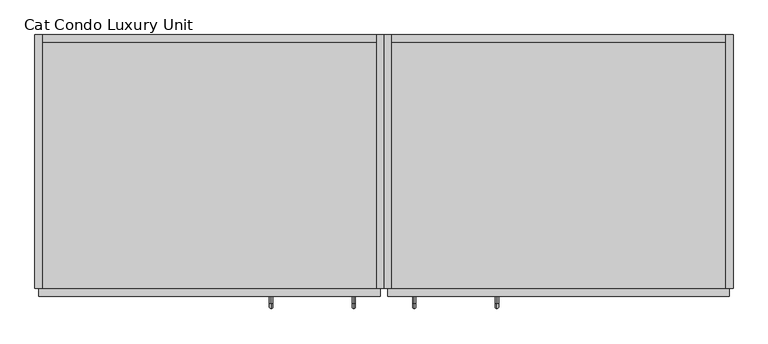
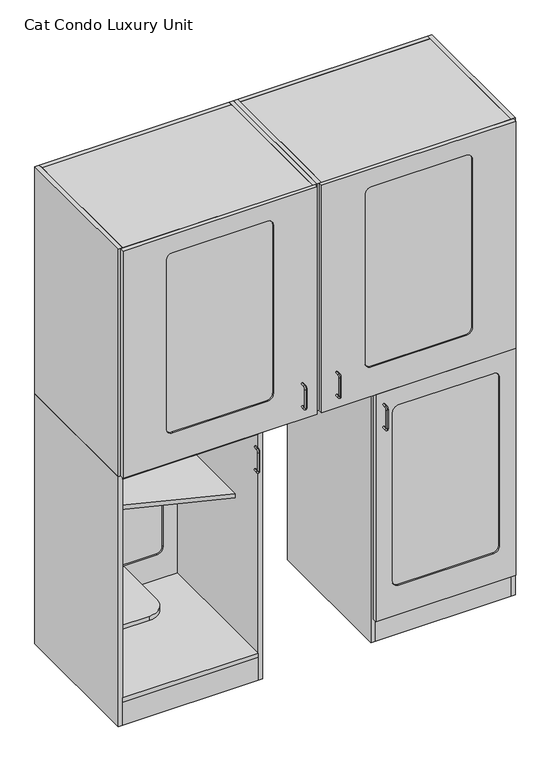
"""IFC4 building model written with IfcOpenShell, lengths in millimetres: proxy geometry, Cat Condo Luxury Unit."""

from ifc_helpers import new_model, si_unit, point, frame, frame_2d, origin, origin_with_axes, place, context, project, spatial, polyline, circle_curve, ellipse_curve, trimmed, segment, composite_curve, outline, extrude, source, transform, mapped, element, save
from ifc_brep_helpers import plane_surface, cylinder_surface, revolved_surface, advanced_brep


def cat_condo_luxury_unit_a41a8ca4(model_context):
    return source(origin(), model_context, "Body", "SolidModel", [
        advanced_brep(
        [(910.8180916, -19.05, 1269.2493154), (910.8180916, -19.05, 1277.1006846), (910.8180916, -35.2117768, 1277.1006846), (910.8180916, -35.2117768, 1269.2493154), (910.8180916, -48.3756846, 1263.9367768), (910.8180916, -40.5243154, 1263.9367768), (910.8180916, -48.3756846, 1180.8132232), (910.8180916, -40.5243154, 1180.8132232), (910.8180916, -35.2117768, 1167.6493154), (910.8180916, -35.2117768, 1175.5006846), (910.8180916, -19.05, 1175.5006846), (910.8180916, -19.05, 1167.6493154)],
        [
            (0, 1, circle_curve(frame((910.8180916, -19.05, 1273.175), z_axis=(0.0, 1.0, 0.0), x_axis=(0.0, 0.0, 1.0)), 3.9256846)),
            (1, 0, circle_curve(frame((910.8180916, -19.05, 1273.175), z_axis=(0.0, 1.0, 0.0), x_axis=(0.0, 0.0, 1.0)), 3.9256846)),
            (1, 2),
            (2, 3, circle_curve(frame((910.8180916, -35.2117768, 1273.175), z_axis=(0.0, 1.0, 0.0), x_axis=(0.0, 0.0, 1.0)), 3.9256846)),
            (3, 0),
            (3, 2, circle_curve(frame((910.8180916, -35.2117768, 1273.175), z_axis=(0.0, 1.0, 0.0), x_axis=(0.0, 0.0, 1.0)), 3.9256846)),
            (4, 5, circle_curve(frame((910.8180916, -44.45, 1263.9367768), z_axis=(0.0, 0.0, 1.0), x_axis=(0.0, -1.0000000000000002, 0.0)), 3.9256846)),
            (5, 3, circle_curve(frame((910.8180916, -35.2117768, 1263.9367768), z_axis=(-1.0, 0.0, 0.0), x_axis=(0.0, 0.0, 1.0)), 5.3125387)),
            (2, 4, circle_curve(frame((910.8180916, -35.2117768, 1263.9367768), z_axis=(1.0, 0.0, 0.0), x_axis=(0.0, 0.0, 1.0)), 13.1639078)),
            (5, 4, circle_curve(frame((910.8180916, -44.45, 1263.9367768), z_axis=(0.0, 0.0, 1.0), x_axis=(0.0, -1.0000000000000002, 0.0)), 3.9256846)),
            (4, 6),
            (6, 7, circle_curve(frame((910.8180916, -44.45, 1180.8132232), z_axis=(0.0, 0.0, 1.0), x_axis=(0.0, -1.0000000000000002, 0.0)), 3.9256846)),
            (7, 5),
            (7, 6, circle_curve(frame((910.8180916, -44.45, 1180.8132232), z_axis=(0.0, 0.0, 1.0), x_axis=(0.0, -1.0000000000000002, 0.0)), 3.9256846)),
            (8, 9, circle_curve(frame((910.8180916, -35.2117768, 1171.575), z_axis=(0.0, -1.0000000000000002, 0.0), x_axis=(0.0, 0.0, -1.0)), 3.9256846)),
            (9, 7, circle_curve(frame((910.8180916, -35.2117768, 1180.8132232), z_axis=(-1.0, 0.0, 0.0), x_axis=(0.0, -1.0000000000000002, 0.0)), 5.3125387)),
            (6, 8, circle_curve(frame((910.8180916, -35.2117768, 1180.8132232), z_axis=(1.0, 0.0, 0.0), x_axis=(0.0, -1.0000000000000002, 0.0)), 13.1639078)),
            (9, 8, circle_curve(frame((910.8180916, -35.2117768, 1171.575), z_axis=(0.0, -1.0000000000000002, 0.0), x_axis=(0.0, 0.0, -1.0)), 3.9256846)),
            (10, 11, circle_curve(frame((910.8180916, -19.05, 1171.575), z_axis=(0.0, 1.0, 0.0), x_axis=(0.0, 0.0, -1.0)), 3.9256846)),
            (11, 10, circle_curve(frame((910.8180916, -19.05, 1171.575), z_axis=(0.0, 1.0, 0.0), x_axis=(0.0, 0.0, -1.0)), 3.9256846)),
            (8, 11),
            (10, 9),
        ],
        [
            plane_surface(frame((910.8180916, -19.05, 1273.175), z_axis=(0.0, 1.0, 0.0), x_axis=(-1.0, 0.0, 0.0))),
            cylinder_surface(frame((910.8180916, -19.05, 1273.175), z_axis=(0.0, 1.0000000000000002, 0.0), x_axis=(0.0, 0.0, 1.0)), 3.9256846),
            revolved_surface(trimmed(ellipse_curve(frame((910.8180916, -35.2117768, 1273.175), z_axis=(0.0, -1.0000000000000002, 0.0), x_axis=(0.0, 0.0, 1.0)), 3.9256846, 3.9256846), [point((910.8180916, -35.2117768, 1269.2493154))], [point((910.8180916, -35.2117768, 1277.1006846))], True, "CARTESIAN"), (910.8180916, -35.2117768, 1263.9367768), (-1.0000000000000002, 0.0, 0.0)),
            revolved_surface(trimmed(ellipse_curve(frame((910.8180916, -35.2117768, 1273.175), z_axis=(0.0, -1.0000000000000002, 0.0), x_axis=(0.0, 0.0, 1.0)), 3.9256846, 3.9256846), [point((910.8180916, -35.2117768, 1277.1006846))], [point((910.8180916, -35.2117768, 1269.2493154))], True, "CARTESIAN"), (910.8180916, -35.2117768, 1263.9367768), (-1.0000000000000002, 0.0, 0.0)),
            cylinder_surface(frame((910.8180916, -44.45, 1263.9367768), z_axis=(0.0, 0.0, 1.0), x_axis=(0.0, -1.0000000000000002, 0.0)), 3.9256846),
            revolved_surface(trimmed(ellipse_curve(frame((910.8180916, -44.45, 1180.8132232), z_axis=(0.0, 0.0, -1.0), x_axis=(0.0, -1.0000000000000002, 0.0)), 3.9256846, 3.9256846), [point((910.8180916, -40.5243154, 1180.8132232))], [point((910.8180916, -48.3756846, 1180.8132232))], True, "CARTESIAN"), (910.8180916, -35.2117768, 1180.8132232), (-1.0000000000000002, 0.0, 0.0)),
            revolved_surface(trimmed(ellipse_curve(frame((910.8180916, -44.45, 1180.8132232), z_axis=(0.0, 0.0, -1.0), x_axis=(0.0, -1.0000000000000002, 0.0)), 3.9256846, 3.9256846), [point((910.8180916, -48.3756846, 1180.8132232))], [point((910.8180916, -40.5243154, 1180.8132232))], True, "CARTESIAN"), (910.8180916, -35.2117768, 1180.8132232), (-1.0000000000000002, 0.0, 0.0)),
            plane_surface(frame((910.8180916, -19.05, 1171.575), z_axis=(0.0, 1.0, 0.0), x_axis=(-1.0, 0.0, 0.0))),
            cylinder_surface(frame((910.8180916, -35.2117768, 1171.575), z_axis=(0.0, -1.0000000000000002, 0.0), x_axis=(0.0, 0.0, -1.0)), 3.9256846),
        ],
        [
            (0, [[1, 2]]),
            (1, [[3, 4, 5, -2]]),
            (1, [[-5, 6, -3, -1]]),
            (2, [[7, 8, -4, 9]]),
            (3, [[10, -9, -6, -8]]),
            (4, [[11, 12, 13, -7]]),
            (4, [[-13, 14, -11, -10]]),
            (5, [[15, 16, -12, 17]]),
            (6, [[18, -17, -14, -16]]),
            (7, [[19, 20]]),
            (8, [[21, -19, 22, -15]]),
            (8, [[-22, -20, -21, -18]]),
        ],
    ),
        extrude(outline(polyline([(857.25, 590.55), (1657.35, 590.55), (1657.35, 0.0), (857.25, 0.0), (857.25, 590.55)])), frame((0.0, 0.0, 2108.2), z_axis=(0.0, 0.0, 1.0), x_axis=(1.0, 0.0, 0.0)), (0.0, 0.0, 1.0), 19.05),
        extrude(outline(composite_curve([segment(trimmed(circle_curve(frame_2d((2022.475, 1058.06875)), 25.4), [point((2047.875, 1058.06875))], [point((2022.475, 1032.66875))], False, "CARTESIAN"), True, "CONTINUOUS"), segment(polyline([(2022.475, 1032.66875), (1270.0, 1032.66875)]), True, "CONTINUOUS"), segment(trimmed(circle_curve(frame_2d((1270.0, 1058.06875)), 25.4), [point((1270.0, 1032.66875))], [point((1244.6, 1058.06875))], False, "CARTESIAN"), True, "CONTINUOUS"), segment(polyline([(1244.6, 1058.06875), (1244.6, 1458.11875)]), True, "CONTINUOUS"), segment(trimmed(circle_curve(frame_2d((1270.0, 1458.11875)), 25.4), [point((1244.6, 1458.11875))], [point((1270.0, 1483.51875))], False, "CARTESIAN"), True, "CONTINUOUS"), segment(polyline([(1270.0, 1483.51875), (2022.475, 1483.51875)]), True, "CONTINUOUS"), segment(trimmed(circle_curve(frame_2d((2022.475, 1458.11875)), 25.4), [point((2022.475, 1483.51875))], [point((2047.875, 1458.11875))], False, "CARTESIAN"), True, "CONTINUOUS"), segment(polyline([(2047.875, 1458.11875), (2047.875, 1058.06875)]), True, "CONTINUOUS")], self_intersect=False)), frame((0.0, 596.9, 0.0), z_axis=(0.0, 1.0, 0.0), x_axis=(0.0, 0.0, 1.0)), (0.0, 0.0, 1.0), 6.35),
        extrude(outline(polyline([(2127.25, 857.25), (1114.425, 857.25), (1114.425, 1657.35), (2127.25, 1657.35), (2127.25, 857.25)]), holes=[composite_curve([segment(trimmed(circle_curve(frame_2d((2022.475, 1058.06875)), 25.4), [point((2022.475, 1032.66875))], [point((2047.875, 1058.06875))], True, "CARTESIAN"), True, "CONTINUOUS"), segment(polyline([(2047.875, 1058.06875), (2047.875, 1458.11875)]), True, "CONTINUOUS"), segment(trimmed(circle_curve(frame_2d((2022.475, 1458.11875)), 25.4), [point((2047.875, 1458.11875))], [point((2022.475, 1483.51875))], True, "CARTESIAN"), True, "CONTINUOUS"), segment(polyline([(2022.475, 1483.51875), (1371.6, 1483.51875)]), True, "CONTINUOUS"), segment(trimmed(circle_curve(frame_2d((1371.6, 1458.11875)), 25.4), [point((1371.6, 1483.51875))], [point((1346.2, 1458.11875))], True, "CARTESIAN"), True, "CONTINUOUS"), segment(polyline([(1346.2, 1458.11875), (1346.2, 1058.06875)]), True, "CONTINUOUS"), segment(trimmed(circle_curve(frame_2d((1371.6, 1058.06875)), 25.4), [point((1346.2, 1058.06875))], [point((1371.6, 1032.66875))], True, "CARTESIAN"), True, "CONTINUOUS"), segment(polyline([(1371.6, 1032.66875), (2022.475, 1032.66875)]), True, "CONTINUOUS")], self_intersect=False)]), frame((0.0, 590.55, 0.0), z_axis=(0.0, 1.0, 0.0), x_axis=(0.0, 0.0, 1.0)), (0.0, 0.0, 1.0), 19.05),
        extrude(outline(polyline([(857.25, 590.55), (1657.35, 590.55), (1657.35, 374.65), (857.25, 166.6410111), (857.25, 590.55)])), frame((0.0, 0.0, 1724.025), z_axis=(0.0, 0.0, 1.0), x_axis=(1.0, 0.0, 0.0)), (0.0, 0.0, 1.0), 19.05),
        extrude(outline(composite_curve([segment(polyline([(1454.15, 590.55), (1657.35, 590.55), (1657.35, 25.4), (1530.35, 25.4)]), True, "CONTINUOUS"), segment(trimmed(circle_curve(frame_2d((1530.35, 101.6)), 76.2), [point((1530.35, 25.4))], [point((1454.15, 101.6))], False, "CARTESIAN"), True, "CONTINUOUS"), segment(polyline([(1454.15, 101.6), (1454.15, 590.55)]), True, "CONTINUOUS")], self_intersect=False)), frame((0.0, 0.0, 1419.225), z_axis=(0.0, 0.0, 1.0), x_axis=(1.0, 0.0, 0.0)), (0.0, 0.0, 1.0), 19.05),
        extrude(outline(polyline([(857.25, 0.0), (857.25, 590.55), (1657.35, 590.55), (1657.35, 0.0), (857.25, 0.0)])), frame((0.0, 0.0, 1114.425), z_axis=(0.0, 0.0, 1.0), x_axis=(1.0, 0.0, 0.0)), (0.0, 0.0, 1.0), 19.05),
        extrude(outline(polyline([(857.25, 609.6), (857.25, 0.0), (838.2, 0.0), (838.2, 609.6), (857.25, 609.6)])), frame((0.0, 0.0, 1114.425), z_axis=(0.0, 0.0, 1.0), x_axis=(1.0, 0.0, 0.0)), (0.0, 0.0, 1.0), 1012.825),
        extrude(outline(polyline([(1657.35, 609.6), (1676.4, 609.6), (1676.4, 0.0), (1657.35, 0.0), (1657.35, 609.6)])), frame((0.0, 0.0, 1114.425), z_axis=(0.0, 0.0, 1.0), x_axis=(1.0, 0.0, 0.0)), (0.0, 0.0, 1.0), 1012.825),
        extrude(outline(composite_curve([segment(trimmed(circle_curve(frame_2d((2022.475, 1058.06875)), 25.4), [point((2047.875, 1058.06875))], [point((2022.475, 1032.66875))], False, "CARTESIAN"), True, "CONTINUOUS"), segment(polyline([(2022.475, 1032.66875), (1270.0, 1032.66875)]), True, "CONTINUOUS"), segment(trimmed(circle_curve(frame_2d((1270.0, 1058.06875)), 25.4), [point((1270.0, 1032.66875))], [point((1244.6, 1058.06875))], False, "CARTESIAN"), True, "CONTINUOUS"), segment(polyline([(1244.6, 1058.06875), (1244.6, 1458.11875)]), True, "CONTINUOUS"), segment(trimmed(circle_curve(frame_2d((1270.0, 1458.11875)), 25.4), [point((1244.6, 1458.11875))], [point((1270.0, 1483.51875))], False, "CARTESIAN"), True, "CONTINUOUS"), segment(polyline([(1270.0, 1483.51875), (2022.475, 1483.51875)]), True, "CONTINUOUS"), segment(trimmed(circle_curve(frame_2d((2022.475, 1458.11875)), 25.4), [point((2022.475, 1483.51875))], [point((2047.875, 1458.11875))], False, "CARTESIAN"), True, "CONTINUOUS"), segment(polyline([(2047.875, 1458.11875), (2047.875, 1058.06875)]), True, "CONTINUOUS")], self_intersect=False)), frame((0.0, -12.7, 0.0), z_axis=(0.0, 1.0, 0.0), x_axis=(0.0, 0.0, 1.0)), (0.0, 0.0, 1.0), 6.35),
        extrude(outline(polyline([(2127.25, 847.725), (1114.425, 847.725), (1114.425, 1666.875), (2127.25, 1666.875), (2127.25, 847.725)]), holes=[composite_curve([segment(trimmed(circle_curve(frame_2d((2022.475, 1458.11875)), 25.4), [point((2047.875, 1458.11875))], [point((2022.475, 1483.51875))], True, "CARTESIAN"), True, "CONTINUOUS"), segment(polyline([(2022.475, 1483.51875), (1270.0, 1483.51875)]), True, "CONTINUOUS"), segment(trimmed(circle_curve(frame_2d((1270.0, 1458.11875)), 25.4), [point((1270.0, 1483.51875))], [point((1244.6, 1458.11875))], True, "CARTESIAN"), True, "CONTINUOUS"), segment(polyline([(1244.6, 1458.11875), (1244.6, 1058.06875)]), True, "CONTINUOUS"), segment(trimmed(circle_curve(frame_2d((1270.0, 1058.06875)), 25.4), [point((1244.6, 1058.06875))], [point((1270.0, 1032.66875))], True, "CARTESIAN"), True, "CONTINUOUS"), segment(polyline([(1270.0, 1032.66875), (2022.475, 1032.66875)]), True, "CONTINUOUS"), segment(trimmed(circle_curve(frame_2d((2022.475, 1058.06875)), 25.4), [point((2022.475, 1032.66875))], [point((2047.875, 1058.06875))], True, "CARTESIAN"), True, "CONTINUOUS"), segment(polyline([(2047.875, 1058.06875), (2047.875, 1458.11875)]), True, "CONTINUOUS")], self_intersect=False)]), frame((0.0, -19.05, 0.0), z_axis=(0.0, 1.0, 0.0), x_axis=(0.0, 0.0, 1.0)), (0.0, 0.0, 1.0), 19.05),
        advanced_brep(
        [(765.5819084, -19.05, 1269.2493154), (765.5819084, -19.05, 1277.1006846), (765.5819084, -35.2117768, 1269.2493154), (765.5819084, -35.2117768, 1277.1006846), (765.5819084, -48.3756846, 1263.9367768), (765.5819084, -40.5243154, 1263.9367768), (765.5819084, -40.5243154, 1180.8132232), (765.5819084, -48.3756846, 1180.8132232), (765.5819084, -35.2117768, 1167.6493154), (765.5819084, -35.2117768, 1175.5006846), (765.5819084, -19.05, 1175.5006846), (765.5819084, -19.05, 1167.6493154)],
        [
            (0, 1, circle_curve(frame((765.5819084, -19.05, 1273.175), z_axis=(0.0, 1.0, 0.0), x_axis=(0.0, 0.0, 1.0)), 3.9256846)),
            (1, 0, circle_curve(frame((765.5819084, -19.05, 1273.175), z_axis=(0.0, 1.0, 0.0), x_axis=(0.0, 0.0, 1.0)), 3.9256846)),
            (0, 2),
            (2, 3, circle_curve(frame((765.5819084, -35.2117768, 1273.175), z_axis=(0.0, 1.0, 0.0), x_axis=(0.0, 0.0, 1.0)), 3.9256846)),
            (3, 1),
            (3, 2, circle_curve(frame((765.5819084, -35.2117768, 1273.175), z_axis=(0.0, 1.0, 0.0), x_axis=(0.0, 0.0, 1.0)), 3.9256846)),
            (4, 3, circle_curve(frame((765.5819084, -35.2117768, 1263.9367768), z_axis=(-1.0, 0.0, 0.0), x_axis=(0.0, 0.0, 1.0)), 13.1639078)),
            (2, 5, circle_curve(frame((765.5819084, -35.2117768, 1263.9367768), z_axis=(1.0, 0.0, 0.0), x_axis=(0.0, 0.0, 1.0)), 5.3125387)),
            (5, 4, circle_curve(frame((765.5819084, -44.45, 1263.9367768), z_axis=(0.0, 0.0, 1.0), x_axis=(0.0, -1.0000000000000002, 0.0)), 3.9256846)),
            (4, 5, circle_curve(frame((765.5819084, -44.45, 1263.9367768), z_axis=(0.0, 0.0, 1.0), x_axis=(0.0, -1.0000000000000002, 0.0)), 3.9256846)),
            (5, 6),
            (6, 7, circle_curve(frame((765.5819084, -44.45, 1180.8132232), z_axis=(0.0, 0.0, 1.0), x_axis=(0.0, -1.0000000000000002, 0.0)), 3.9256846)),
            (7, 4),
            (7, 6, circle_curve(frame((765.5819084, -44.45, 1180.8132232), z_axis=(0.0, 0.0, 1.0), x_axis=(0.0, -1.0000000000000002, 0.0)), 3.9256846)),
            (8, 7, circle_curve(frame((765.5819084, -35.2117768, 1180.8132232), z_axis=(-1.0, 0.0, 0.0), x_axis=(0.0, -1.0000000000000002, 0.0)), 13.1639078)),
            (6, 9, circle_curve(frame((765.5819084, -35.2117768, 1180.8132232), z_axis=(1.0, 0.0, 0.0), x_axis=(0.0, -1.0000000000000002, 0.0)), 5.3125387)),
            (9, 8, circle_curve(frame((765.5819084, -35.2117768, 1171.575), z_axis=(0.0, -1.0000000000000002, 0.0), x_axis=(0.0, 0.0, -1.0)), 3.9256846)),
            (8, 9, circle_curve(frame((765.5819084, -35.2117768, 1171.575), z_axis=(0.0, -1.0000000000000002, 0.0), x_axis=(0.0, 0.0, -1.0)), 3.9256846)),
            (10, 11, circle_curve(frame((765.5819084, -19.05, 1171.575), z_axis=(0.0, 1.0, 0.0), x_axis=(0.0, 0.0, -1.0)), 3.9256846)),
            (11, 10, circle_curve(frame((765.5819084, -19.05, 1171.575), z_axis=(0.0, 1.0, 0.0), x_axis=(0.0, 0.0, -1.0)), 3.9256846)),
            (9, 10),
            (11, 8),
        ],
        [
            plane_surface(frame((765.5819084, -19.05, 1273.175), z_axis=(0.0, 1.0, 0.0), x_axis=(1.0, 0.0, 0.0))),
            cylinder_surface(frame((765.5819084, -19.05, 1273.175), z_axis=(0.0, 1.0000000000000002, 0.0), x_axis=(0.0, 0.0, 1.0)), 3.9256846),
            revolved_surface(trimmed(ellipse_curve(frame((765.5819084, -35.2117768, 1273.175), z_axis=(0.0, 1.0000000000000002, 0.0), x_axis=(0.0, 0.0, 1.0)), 3.9256846, 3.9256846), [point((765.5819084, -35.2117768, 1269.2493154))], [point((765.5819084, -35.2117768, 1277.1006846))], True, "CARTESIAN"), (765.5819084, -35.2117768, 1263.9367768), (1.0000000000000002, 0.0, 0.0)),
            revolved_surface(trimmed(ellipse_curve(frame((765.5819084, -35.2117768, 1273.175), z_axis=(0.0, 1.0000000000000002, 0.0), x_axis=(0.0, 0.0, 1.0)), 3.9256846, 3.9256846), [point((765.5819084, -35.2117768, 1277.1006846))], [point((765.5819084, -35.2117768, 1269.2493154))], True, "CARTESIAN"), (765.5819084, -35.2117768, 1263.9367768), (1.0000000000000002, 0.0, 0.0)),
            cylinder_surface(frame((765.5819084, -44.45, 1263.9367768), z_axis=(0.0, 0.0, 1.0), x_axis=(0.0, -1.0000000000000002, 0.0)), 3.9256846),
            revolved_surface(trimmed(ellipse_curve(frame((765.5819084, -44.45, 1180.8132232), z_axis=(0.0, 0.0, 1.0), x_axis=(0.0, -1.0000000000000002, 0.0)), 3.9256846, 3.9256846), [point((765.5819084, -40.5243154, 1180.8132232))], [point((765.5819084, -48.3756846, 1180.8132232))], True, "CARTESIAN"), (765.5819084, -35.2117768, 1180.8132232), (1.0000000000000002, 0.0, 0.0)),
            revolved_surface(trimmed(ellipse_curve(frame((765.5819084, -44.45, 1180.8132232), z_axis=(0.0, 0.0, 1.0), x_axis=(0.0, -1.0000000000000002, 0.0)), 3.9256846, 3.9256846), [point((765.5819084, -48.3756846, 1180.8132232))], [point((765.5819084, -40.5243154, 1180.8132232))], True, "CARTESIAN"), (765.5819084, -35.2117768, 1180.8132232), (1.0000000000000002, 0.0, 0.0)),
            plane_surface(frame((765.5819084, -19.05, 1171.575), z_axis=(0.0, 1.0, 0.0), x_axis=(1.0, 0.0, 0.0))),
            cylinder_surface(frame((765.5819084, -35.2117768, 1171.575), z_axis=(0.0, -1.0000000000000002, 0.0), x_axis=(0.0, 0.0, -1.0)), 3.9256846),
        ],
        [
            (0, [[1, 2]]),
            (1, [[-1, 3, 4, 5]]),
            (1, [[-2, -5, 6, -3]]),
            (2, [[7, -4, 8, 9]]),
            (3, [[-8, -6, -7, 10]]),
            (4, [[-9, 11, 12, 13]]),
            (4, [[-10, -13, 14, -11]]),
            (5, [[15, -12, 16, 17]]),
            (6, [[-16, -14, -15, 18]]),
            (7, [[19, 20]]),
            (8, [[-17, 21, -20, 22]]),
            (8, [[-18, -22, -19, -21]]),
        ],
    ),
        extrude(outline(polyline([(819.15, 590.55), (819.15, 0.0), (19.05, 0.0), (19.05, 590.55), (819.15, 590.55)])), frame((0.0, 0.0, 2108.2), z_axis=(0.0, 0.0, 1.0), x_axis=(1.0, 0.0, 0.0)), (0.0, 0.0, 1.0), 19.05),
        extrude(outline(composite_curve([segment(polyline([(2047.875, 618.33125), (2047.875, 218.28125)]), True, "CONTINUOUS"), segment(trimmed(circle_curve(frame_2d((2022.475, 218.28125)), 25.4), [point((2047.875, 218.28125))], [point((2022.475, 192.88125))], False, "CARTESIAN"), True, "CONTINUOUS"), segment(polyline([(2022.475, 192.88125), (1270.0, 192.88125)]), True, "CONTINUOUS"), segment(trimmed(circle_curve(frame_2d((1270.0, 218.28125)), 25.4), [point((1270.0, 192.88125))], [point((1244.6, 218.28125))], False, "CARTESIAN"), True, "CONTINUOUS"), segment(polyline([(1244.6, 218.28125), (1244.6, 618.33125)]), True, "CONTINUOUS"), segment(trimmed(circle_curve(frame_2d((1270.0, 618.33125)), 25.4), [point((1244.6, 618.33125))], [point((1270.0, 643.73125))], False, "CARTESIAN"), True, "CONTINUOUS"), segment(polyline([(1270.0, 643.73125), (2022.475, 643.73125)]), True, "CONTINUOUS"), segment(trimmed(circle_curve(frame_2d((2022.475, 618.33125)), 25.4), [point((2022.475, 643.73125))], [point((2047.875, 618.33125))], False, "CARTESIAN"), True, "CONTINUOUS")], self_intersect=False)), frame((0.0, 596.9, 0.0), z_axis=(0.0, 1.0, 0.0), x_axis=(0.0, 0.0, 1.0)), (0.0, 0.0, 1.0), 6.35),
        extrude(outline(polyline([(2127.25, 819.15), (2127.25, 19.05), (1114.425, 19.05), (1114.425, 819.15), (2127.25, 819.15)]), holes=[composite_curve([segment(polyline([(2022.475, 643.73125), (1371.6, 643.73125)]), True, "CONTINUOUS"), segment(trimmed(circle_curve(frame_2d((1371.6, 618.33125)), 25.4), [point((1371.6, 643.73125))], [point((1346.2, 618.33125))], True, "CARTESIAN"), True, "CONTINUOUS"), segment(polyline([(1346.2, 618.33125), (1346.2, 218.28125)]), True, "CONTINUOUS"), segment(trimmed(circle_curve(frame_2d((1371.6, 218.28125)), 25.4), [point((1346.2, 218.28125))], [point((1371.6, 192.88125))], True, "CARTESIAN"), True, "CONTINUOUS"), segment(polyline([(1371.6, 192.88125), (2022.475, 192.88125)]), True, "CONTINUOUS"), segment(trimmed(circle_curve(frame_2d((2022.475, 218.28125)), 25.4), [point((2022.475, 192.88125))], [point((2047.875, 218.28125))], True, "CARTESIAN"), True, "CONTINUOUS"), segment(polyline([(2047.875, 218.28125), (2047.875, 618.33125)]), True, "CONTINUOUS"), segment(trimmed(circle_curve(frame_2d((2022.475, 618.33125)), 25.4), [point((2047.875, 618.33125))], [point((2022.475, 643.73125))], True, "CARTESIAN"), True, "CONTINUOUS")], self_intersect=False)]), frame((0.0, 590.55, 0.0), z_axis=(0.0, 1.0, 0.0), x_axis=(0.0, 0.0, 1.0)), (0.0, 0.0, 1.0), 19.05),
        extrude(outline(polyline([(819.15, 590.55), (819.15, 166.6410111), (19.05, 374.65), (19.05, 590.55), (819.15, 590.55)])), frame((0.0, 0.0, 1724.025), z_axis=(0.0, 0.0, 1.0), x_axis=(1.0, 0.0, 0.0)), (0.0, 0.0, 1.0), 19.05),
        extrude(outline(composite_curve([segment(polyline([(222.25, 590.55), (222.25, 101.6)]), True, "CONTINUOUS"), segment(trimmed(circle_curve(frame_2d((146.05, 101.6)), 76.2), [point((222.25, 101.6))], [point((146.05, 25.4))], False, "CARTESIAN"), True, "CONTINUOUS"), segment(polyline([(146.05, 25.4), (19.05, 25.4), (19.05, 590.55), (222.25, 590.55)]), True, "CONTINUOUS")], self_intersect=False)), frame((0.0, 0.0, 1419.225), z_axis=(0.0, 0.0, 1.0), x_axis=(1.0, 0.0, 0.0)), (0.0, 0.0, 1.0), 19.05),
        extrude(outline(polyline([(819.15, 0.0), (19.05, 0.0), (19.05, 590.55), (819.15, 590.55), (819.15, 0.0)])), frame((0.0, 0.0, 1114.425), z_axis=(0.0, 0.0, 1.0), x_axis=(1.0, 0.0, 0.0)), (0.0, 0.0, 1.0), 19.05),
        extrude(outline(polyline([(819.15, 609.6), (838.2, 609.6), (838.2, 0.0), (819.15, 0.0), (819.15, 609.6)])), frame((0.0, 0.0, 1114.425), z_axis=(0.0, 0.0, 1.0), x_axis=(1.0, 0.0, 0.0)), (0.0, 0.0, 1.0), 1012.825),
        extrude(outline(polyline([(19.05, 609.6), (19.05, 0.0), (0.0, 0.0), (0.0, 609.6), (19.05, 609.6)])), frame((0.0, 0.0, 1114.425), z_axis=(0.0, 0.0, 1.0), x_axis=(1.0, 0.0, 0.0)), (0.0, 0.0, 1.0), 1012.825),
        extrude(outline(composite_curve([segment(polyline([(2047.875, 618.33125), (2047.875, 218.28125)]), True, "CONTINUOUS"), segment(trimmed(circle_curve(frame_2d((2022.475, 218.28125)), 25.4), [point((2047.875, 218.28125))], [point((2022.475, 192.88125))], False, "CARTESIAN"), True, "CONTINUOUS"), segment(polyline([(2022.475, 192.88125), (1270.0, 192.88125)]), True, "CONTINUOUS"), segment(trimmed(circle_curve(frame_2d((1270.0, 218.28125)), 25.4), [point((1270.0, 192.88125))], [point((1244.6, 218.28125))], False, "CARTESIAN"), True, "CONTINUOUS"), segment(polyline([(1244.6, 218.28125), (1244.6, 618.33125)]), True, "CONTINUOUS"), segment(trimmed(circle_curve(frame_2d((1270.0, 618.33125)), 25.4), [point((1244.6, 618.33125))], [point((1270.0, 643.73125))], False, "CARTESIAN"), True, "CONTINUOUS"), segment(polyline([(1270.0, 643.73125), (2022.475, 643.73125)]), True, "CONTINUOUS"), segment(trimmed(circle_curve(frame_2d((2022.475, 618.33125)), 25.4), [point((2022.475, 643.73125))], [point((2047.875, 618.33125))], False, "CARTESIAN"), True, "CONTINUOUS")], self_intersect=False)), frame((0.0, -12.7, 0.0), z_axis=(0.0, 1.0, 0.0), x_axis=(0.0, 0.0, 1.0)), (0.0, 0.0, 1.0), 6.35),
        extrude(outline(polyline([(2127.25, 828.675), (2127.25, 9.525), (1114.425, 9.525), (1114.425, 828.675), (2127.25, 828.675)]), holes=[composite_curve([segment(polyline([(2047.875, 218.28125), (2047.875, 618.33125)]), True, "CONTINUOUS"), segment(trimmed(circle_curve(frame_2d((2022.475, 618.33125)), 25.4), [point((2047.875, 618.33125))], [point((2022.475, 643.73125))], True, "CARTESIAN"), True, "CONTINUOUS"), segment(polyline([(2022.475, 643.73125), (1270.0, 643.73125)]), True, "CONTINUOUS"), segment(trimmed(circle_curve(frame_2d((1270.0, 618.33125)), 25.4), [point((1270.0, 643.73125))], [point((1244.6, 618.33125))], True, "CARTESIAN"), True, "CONTINUOUS"), segment(polyline([(1244.6, 618.33125), (1244.6, 218.28125)]), True, "CONTINUOUS"), segment(trimmed(circle_curve(frame_2d((1270.0, 218.28125)), 25.4), [point((1244.6, 218.28125))], [point((1270.0, 192.88125))], True, "CARTESIAN"), True, "CONTINUOUS"), segment(polyline([(1270.0, 192.88125), (2022.475, 192.88125)]), True, "CONTINUOUS"), segment(trimmed(circle_curve(frame_2d((2022.475, 218.28125)), 25.4), [point((2022.475, 192.88125))], [point((2047.875, 218.28125))], True, "CARTESIAN"), True, "CONTINUOUS")], self_intersect=False)]), frame((0.0, -19.05, 0.0), z_axis=(0.0, 1.0, 0.0), x_axis=(0.0, 0.0, 1.0)), (0.0, 0.0, 1.0), 19.05),
        advanced_brep(
        [(1109.2871577, -19.05, 1056.5243154), (1109.2871577, -19.05, 1064.3756846), (1109.2871577, -35.2117768, 1056.5243154), (1109.2871577, -35.2117768, 1064.3756846), (1109.2871577, -35.2117768, 962.7756846), (1109.2871577, -19.05, 962.7756846), (1109.2871577, -19.05, 954.9243154), (1109.2871577, -35.2117768, 954.9243154), (1109.2871577, -48.3756846, 1051.2117768), (1109.2871577, -40.5243154, 1051.2117768), (1109.2871577, -48.3756846, 968.0882232), (1109.2871577, -40.5243154, 968.0882232)],
        [
            (0, 1, circle_curve(frame((1109.2871577, -19.05, 1060.45), z_axis=(0.0, 1.0, 0.0), x_axis=(0.0, 0.0, 1.0)), 3.9256846)),
            (1, 0, circle_curve(frame((1109.2871577, -19.05, 1060.45), z_axis=(0.0, 1.0, 0.0), x_axis=(0.0, 0.0, 1.0)), 3.9256846)),
            (0, 2),
            (2, 3, circle_curve(frame((1109.2871577, -35.2117768, 1060.45), z_axis=(0.0, 1.0, 0.0), x_axis=(0.0, 0.0, 1.0)), 3.9256846)),
            (3, 1),
            (4, 5),
            (5, 6, circle_curve(frame((1109.2871577, -19.05, 958.85), z_axis=(0.0, -1.0, 0.0), x_axis=(0.0, 0.0, -1.0)), 3.9256846)),
            (6, 7),
            (7, 4, circle_curve(frame((1109.2871577, -35.2117768, 958.85), z_axis=(0.0, 1.0, 0.0), x_axis=(0.0, 0.0, -1.0)), 3.9256846)),
            (3, 2, circle_curve(frame((1109.2871577, -35.2117768, 1060.45), z_axis=(0.0, 1.0, 0.0), x_axis=(0.0, 0.0, 1.0)), 3.9256846)),
            (8, 9, circle_curve(frame((1109.2871577, -44.45, 1051.2117768), z_axis=(0.0, 0.0, 1.0), x_axis=(0.0, -1.0, 0.0)), 3.9256846)),
            (9, 2, circle_curve(frame((1109.2871577, -35.2117768, 1051.2117768), z_axis=(-1.0, 0.0, 0.0), x_axis=(0.0, 0.0, 1.0)), 5.3125387)),
            (3, 8, circle_curve(frame((1109.2871577, -35.2117768, 1051.2117768), z_axis=(1.0, 0.0, 0.0), x_axis=(0.0, 0.0, 1.0)), 13.1639078)),
            (9, 8, circle_curve(frame((1109.2871577, -44.45, 1051.2117768), z_axis=(0.0, 0.0, 1.0), x_axis=(0.0, -1.0, 0.0)), 3.9256846)),
            (8, 10),
            (10, 11, circle_curve(frame((1109.2871577, -44.45, 968.0882232), z_axis=(0.0, 0.0, 1.0), x_axis=(0.0, -1.0, 0.0)), 3.9256846)),
            (11, 9),
            (11, 10, circle_curve(frame((1109.2871577, -44.45, 968.0882232), z_axis=(0.0, 0.0, 1.0), x_axis=(0.0, -1.0, 0.0)), 3.9256846)),
            (7, 4, circle_curve(frame((1109.2871577, -35.2117768, 958.85), z_axis=(0.0, -1.0, 0.0), x_axis=(0.0, 0.0, -1.0)), 3.9256846)),
            (4, 11, circle_curve(frame((1109.2871577, -35.2117768, 968.0882232), z_axis=(-1.0, 0.0, 0.0), x_axis=(0.0, -1.0, 0.0)), 5.3125387)),
            (10, 7, circle_curve(frame((1109.2871577, -35.2117768, 968.0882232), z_axis=(1.0, 0.0, 0.0), x_axis=(0.0, -1.0, 0.0)), 13.1639078)),
            (5, 6, circle_curve(frame((1109.2871577, -19.05, 958.85), z_axis=(0.0, 1.0, 0.0), x_axis=(0.0, 0.0, -1.0)), 3.9256846)),
        ],
        [
            plane_surface(frame((1109.2871577, -19.05, 1060.45), z_axis=(0.0, 1.0, 0.0), x_axis=(-1.0, 0.0, 0.0))),
            cylinder_surface(frame((1109.2871577, -19.05, 1060.45), z_axis=(0.0, 1.0, 0.0), x_axis=(0.0, 0.0, 1.0)), 3.9256846),
            cylinder_surface(frame((1109.2871577, -35.2117768, 958.85), z_axis=(0.0, -1.0, 0.0), x_axis=(0.0, 0.0, -1.0)), 3.9256846),
            revolved_surface(trimmed(ellipse_curve(frame((1109.2871577, -35.2117768, 1060.45), z_axis=(0.0, -1.0, 0.0), x_axis=(0.0, 0.0, 1.0)), 3.9256846, 3.9256846), [point((1109.2871577, -35.2117768, 1056.5243154))], [point((1109.2871577, -35.2117768, 1064.3756846))], True, "CARTESIAN"), (1109.2871577, -35.2117768, 1051.2117768), (-1.0, 0.0, 0.0)),
            revolved_surface(trimmed(ellipse_curve(frame((1109.2871577, -35.2117768, 1060.45), z_axis=(0.0, -1.0, 0.0), x_axis=(0.0, 0.0, 1.0)), 3.9256846, 3.9256846), [point((1109.2871577, -35.2117768, 1064.3756846))], [point((1109.2871577, -35.2117768, 1056.5243154))], True, "CARTESIAN"), (1109.2871577, -35.2117768, 1051.2117768), (-1.0, 0.0, 0.0)),
            cylinder_surface(frame((1109.2871577, -44.45, 1051.2117768), z_axis=(0.0, 0.0, 1.0), x_axis=(0.0, -1.0, 0.0)), 3.9256846),
            revolved_surface(trimmed(ellipse_curve(frame((1109.2871577, -44.45, 968.0882232), z_axis=(0.0, 0.0, -1.0), x_axis=(0.0, -1.0, 0.0)), 3.9256846, 3.9256846), [point((1109.2871577, -40.5243154, 968.0882232))], [point((1109.2871577, -48.3756846, 968.0882232))], True, "CARTESIAN"), (1109.2871577, -35.2117768, 968.0882232), (-1.0, 0.0, 0.0)),
            revolved_surface(trimmed(ellipse_curve(frame((1109.2871577, -44.45, 968.0882232), z_axis=(0.0, 0.0, -1.0), x_axis=(0.0, -1.0, 0.0)), 3.9256846, 3.9256846), [point((1109.2871577, -48.3756846, 968.0882232))], [point((1109.2871577, -40.5243154, 968.0882232))], True, "CARTESIAN"), (1109.2871577, -35.2117768, 968.0882232), (-1.0, 0.0, 0.0)),
            plane_surface(frame((1109.2871577, -19.05, 958.85), z_axis=(0.0, 1.0, 0.0), x_axis=(-1.0, 0.0, 0.0))),
        ],
        [
            (0, [[1, 2]]),
            (1, [[3, 4, 5, -1]]),
            (2, [[6, 7, 8, 9]]),
            (1, [[-5, 10, -3, -2]]),
            (3, [[11, 12, -10, 13]]),
            (4, [[14, -13, -4, -12]]),
            (5, [[15, 16, 17, -11]]),
            (5, [[-17, 18, -15, -14]]),
            (6, [[19, 20, -16, 21]]),
            (7, [[-9, -21, -18, -20]]),
            (8, [[22, -7]]),
            (2, [[-8, -22, -6, -19]]),
        ],
    ),
        extrude(outline(polyline([(1085.85, 590.55), (1657.35, 590.55), (1657.35, 0.0), (1085.85, 0.0), (1085.85, 590.55)])), frame((0.0, 0.0, 1095.375), z_axis=(0.0, 0.0, 1.0), x_axis=(1.0, 0.0, 0.0)), (0.0, 0.0, 1.0), 19.05),
        extrude(outline(composite_curve([segment(trimmed(circle_curve(frame_2d((1009.65, 1172.36875)), 25.4), [point((1035.05, 1172.36875))], [point((1009.65, 1146.96875))], False, "CARTESIAN"), True, "CONTINUOUS"), segment(polyline([(1009.65, 1146.96875), (257.175, 1146.96875)]), True, "CONTINUOUS"), segment(trimmed(circle_curve(frame_2d((257.175, 1172.36875)), 25.4), [point((257.175, 1146.96875))], [point((231.775, 1172.36875))], False, "CARTESIAN"), True, "CONTINUOUS"), segment(polyline([(231.775, 1172.36875), (231.775, 1572.41875)]), True, "CONTINUOUS"), segment(trimmed(circle_curve(frame_2d((257.175, 1572.41875)), 25.4), [point((231.775, 1572.41875))], [point((257.175, 1597.81875))], False, "CARTESIAN"), True, "CONTINUOUS"), segment(polyline([(257.175, 1597.81875), (1009.65, 1597.81875)]), True, "CONTINUOUS"), segment(trimmed(circle_curve(frame_2d((1009.65, 1572.41875)), 25.4), [point((1009.65, 1597.81875))], [point((1035.05, 1572.41875))], False, "CARTESIAN"), True, "CONTINUOUS"), segment(polyline([(1035.05, 1572.41875), (1035.05, 1172.36875)]), True, "CONTINUOUS")], self_intersect=False)), frame((0.0, 596.9, 0.0), z_axis=(0.0, 1.0, 0.0), x_axis=(0.0, 0.0, 1.0)), (0.0, 0.0, 1.0), 6.35),
        extrude(outline(polyline([(1114.425, 1085.85), (0.0, 1085.85), (0.0, 1657.35), (1114.425, 1657.35), (1114.425, 1085.85)]), holes=[composite_curve([segment(trimmed(circle_curve(frame_2d((1009.65, 1172.36875)), 25.4), [point((1009.65, 1146.96875))], [point((1035.05, 1172.36875))], True, "CARTESIAN"), True, "CONTINUOUS"), segment(polyline([(1035.05, 1172.36875), (1035.05, 1572.41875)]), True, "CONTINUOUS"), segment(trimmed(circle_curve(frame_2d((1009.65, 1572.41875)), 25.4), [point((1035.05, 1572.41875))], [point((1009.65, 1597.81875))], True, "CARTESIAN"), True, "CONTINUOUS"), segment(polyline([(1009.65, 1597.81875), (257.175, 1597.81875)]), True, "CONTINUOUS"), segment(trimmed(circle_curve(frame_2d((257.175, 1572.41875)), 25.4), [point((257.175, 1597.81875))], [point((231.775, 1572.41875))], True, "CARTESIAN"), True, "CONTINUOUS"), segment(polyline([(231.775, 1572.41875), (231.775, 1172.36875)]), True, "CONTINUOUS"), segment(trimmed(circle_curve(frame_2d((257.175, 1172.36875)), 25.4), [point((231.775, 1172.36875))], [point((257.175, 1146.96875))], True, "CARTESIAN"), True, "CONTINUOUS"), segment(polyline([(257.175, 1146.96875), (1009.65, 1146.96875)]), True, "CONTINUOUS")], self_intersect=False)]), frame((0.0, 590.55, 0.0), z_axis=(0.0, 1.0, 0.0), x_axis=(0.0, 0.0, 1.0)), (0.0, 0.0, 1.0), 19.05),
        extrude(outline(polyline([(1085.85, 590.55), (1657.35, 590.55), (1657.35, 374.65), (1085.85, 166.6410111), (1085.85, 590.55)])), frame((0.0, 0.0, 711.2), z_axis=(0.0, 0.0, 1.0), x_axis=(1.0, 0.0, 0.0)), (0.0, 0.0, 1.0), 19.05),
        extrude(outline(composite_curve([segment(polyline([(1454.15, 590.55), (1657.35, 590.55), (1657.35, 25.4), (1530.35, 25.4)]), True, "CONTINUOUS"), segment(trimmed(circle_curve(frame_2d((1530.35, 101.6)), 76.2), [point((1530.35, 25.4))], [point((1454.15, 101.6))], False, "CARTESIAN"), True, "CONTINUOUS"), segment(polyline([(1454.15, 101.6), (1454.15, 590.55)]), True, "CONTINUOUS")], self_intersect=False)), frame((0.0, 0.0, 406.4), z_axis=(0.0, 0.0, 1.0), x_axis=(1.0, 0.0, 0.0)), (0.0, 0.0, 1.0), 19.05),
        extrude(outline(polyline([(1085.85, 0.0), (1085.85, 590.55), (1657.35, 590.55), (1657.35, 0.0), (1085.85, 0.0)])), frame((0.0, 0.0, 101.6), z_axis=(0.0, 0.0, 1.0), x_axis=(1.0, 0.0, 0.0)), (0.0, 0.0, 1.0), 19.05),
        extrude(outline(polyline([(1085.85, 19.05), (1657.35, 19.05), (1657.35, 0.0), (1085.85, 0.0), (1085.85, 19.05)])), origin_with_axes(), (0.0, 0.0, 1.0), 101.6),
        extrude(outline(polyline([(1085.85, 609.6), (1085.85, 0.0), (1066.8, 0.0), (1066.8, 609.6), (1085.85, 609.6)])), origin_with_axes(), (0.0, 0.0, 1.0), 1114.425),
        extrude(outline(polyline([(1657.35, 609.6), (1676.4, 609.6), (1676.4, 0.0), (1657.35, 0.0), (1657.35, 609.6)])), origin_with_axes(), (0.0, 0.0, 1.0), 1114.425),
        extrude(outline(composite_curve([segment(trimmed(circle_curve(frame_2d((1009.65, 1172.36875)), 25.4), [point((1035.05, 1172.36875))], [point((1009.65, 1146.96875))], False, "CARTESIAN"), True, "CONTINUOUS"), segment(polyline([(1009.65, 1146.96875), (257.175, 1146.96875)]), True, "CONTINUOUS"), segment(trimmed(circle_curve(frame_2d((257.175, 1172.36875)), 25.4), [point((257.175, 1146.96875))], [point((231.775, 1172.36875))], False, "CARTESIAN"), True, "CONTINUOUS"), segment(polyline([(231.775, 1172.36875), (231.775, 1572.41875)]), True, "CONTINUOUS"), segment(trimmed(circle_curve(frame_2d((257.175, 1572.41875)), 25.4), [point((231.775, 1572.41875))], [point((257.175, 1597.81875))], False, "CARTESIAN"), True, "CONTINUOUS"), segment(polyline([(257.175, 1597.81875), (1009.65, 1597.81875)]), True, "CONTINUOUS"), segment(trimmed(circle_curve(frame_2d((1009.65, 1572.41875)), 25.4), [point((1009.65, 1597.81875))], [point((1035.05, 1572.41875))], False, "CARTESIAN"), True, "CONTINUOUS"), segment(polyline([(1035.05, 1572.41875), (1035.05, 1172.36875)]), True, "CONTINUOUS")], self_intersect=False)), frame((0.0, -12.7, 0.0), z_axis=(0.0, 1.0, 0.0), x_axis=(0.0, 0.0, 1.0)), (0.0, 0.0, 1.0), 6.35),
        extrude(outline(polyline([(1114.425, 1076.325), (101.6, 1076.325), (101.6, 1666.875), (1114.425, 1666.875), (1114.425, 1076.325)]), holes=[composite_curve([segment(trimmed(circle_curve(frame_2d((1009.65, 1572.41875)), 25.4), [point((1035.05, 1572.41875))], [point((1009.65, 1597.81875))], True, "CARTESIAN"), True, "CONTINUOUS"), segment(polyline([(1009.65, 1597.81875), (257.175, 1597.81875)]), True, "CONTINUOUS"), segment(trimmed(circle_curve(frame_2d((257.175, 1572.41875)), 25.4), [point((257.175, 1597.81875))], [point((231.775, 1572.41875))], True, "CARTESIAN"), True, "CONTINUOUS"), segment(polyline([(231.775, 1572.41875), (231.775, 1172.36875)]), True, "CONTINUOUS"), segment(trimmed(circle_curve(frame_2d((257.175, 1172.36875)), 25.4), [point((231.775, 1172.36875))], [point((257.175, 1146.96875))], True, "CARTESIAN"), True, "CONTINUOUS"), segment(polyline([(257.175, 1146.96875), (1009.65, 1146.96875)]), True, "CONTINUOUS"), segment(trimmed(circle_curve(frame_2d((1009.65, 1172.36875)), 25.4), [point((1009.65, 1146.96875))], [point((1035.05, 1172.36875))], True, "CARTESIAN"), True, "CONTINUOUS"), segment(polyline([(1035.05, 1172.36875), (1035.05, 1572.41875)]), True, "CONTINUOUS")], self_intersect=False)]), frame((0.0, -19.05, 0.0), z_axis=(0.0, 1.0, 0.0), x_axis=(0.0, 0.0, 1.0)), (0.0, 0.0, 1.0), 19.05),
        advanced_brep(
        [(567.1128423, -19.05, 1056.5243154), (567.1128423, -19.05, 1064.3756846), (567.1128423, -35.2117768, 1064.3756846), (567.1128423, -35.2117768, 1056.5243154), (567.1128423, -35.2117768, 962.7756846), (567.1128423, -35.2117768, 954.9243154), (567.1128423, -19.05, 954.9243154), (567.1128423, -19.05, 962.7756846), (567.1128423, -48.3756846, 1051.2117768), (567.1128423, -40.5243154, 1051.2117768), (567.1128423, -40.5243154, 968.0882232), (567.1128423, -48.3756846, 968.0882232)],
        [
            (0, 1, circle_curve(frame((567.1128423, -19.05, 1060.45), z_axis=(0.0, 1.0, 0.0), x_axis=(0.0, 0.0, 1.0)), 3.9256846)),
            (1, 0, circle_curve(frame((567.1128423, -19.05, 1060.45), z_axis=(0.0, 1.0, 0.0), x_axis=(0.0, 0.0, 1.0)), 3.9256846)),
            (1, 2),
            (2, 3, circle_curve(frame((567.1128423, -35.2117768, 1060.45), z_axis=(0.0, 1.0, 0.0), x_axis=(0.0, 0.0, 1.0)), 3.9256846)),
            (3, 0),
            (4, 5, circle_curve(frame((567.1128423, -35.2117768, 958.85), z_axis=(0.0, 1.0, 0.0), x_axis=(0.0, 0.0, -1.0)), 3.9256846)),
            (5, 6),
            (6, 7, circle_curve(frame((567.1128423, -19.05, 958.85), z_axis=(0.0, -1.0, 0.0), x_axis=(0.0, 0.0, -1.0)), 3.9256846)),
            (7, 4),
            (3, 2, circle_curve(frame((567.1128423, -35.2117768, 1060.45), z_axis=(0.0, 1.0, 0.0), x_axis=(0.0, 0.0, 1.0)), 3.9256846)),
            (8, 2, circle_curve(frame((567.1128423, -35.2117768, 1051.2117768), z_axis=(-1.0, 0.0, 0.0), x_axis=(0.0, 0.0, 1.0)), 13.1639078)),
            (3, 9, circle_curve(frame((567.1128423, -35.2117768, 1051.2117768), z_axis=(1.0, 0.0, 0.0), x_axis=(0.0, 0.0, 1.0)), 5.3125387)),
            (9, 8, circle_curve(frame((567.1128423, -44.45, 1051.2117768), z_axis=(0.0, 0.0, 1.0), x_axis=(0.0, -1.0, 0.0)), 3.9256846)),
            (8, 9, circle_curve(frame((567.1128423, -44.45, 1051.2117768), z_axis=(0.0, 0.0, 1.0), x_axis=(0.0, -1.0, 0.0)), 3.9256846)),
            (9, 10),
            (10, 11, circle_curve(frame((567.1128423, -44.45, 968.0882232), z_axis=(0.0, 0.0, 1.0), x_axis=(0.0, -1.0, 0.0)), 3.9256846)),
            (11, 8),
            (11, 10, circle_curve(frame((567.1128423, -44.45, 968.0882232), z_axis=(0.0, 0.0, 1.0), x_axis=(0.0, -1.0, 0.0)), 3.9256846)),
            (5, 11, circle_curve(frame((567.1128423, -35.2117768, 968.0882232), z_axis=(-1.0, 0.0, 0.0), x_axis=(0.0, -1.0, 0.0)), 13.1639078)),
            (10, 4, circle_curve(frame((567.1128423, -35.2117768, 968.0882232), z_axis=(1.0, 0.0, 0.0), x_axis=(0.0, -1.0, 0.0)), 5.3125387)),
            (4, 5, circle_curve(frame((567.1128423, -35.2117768, 958.85), z_axis=(0.0, -1.0, 0.0), x_axis=(0.0, 0.0, -1.0)), 3.9256846)),
            (6, 7, circle_curve(frame((567.1128423, -19.05, 958.85), z_axis=(0.0, 1.0, 0.0), x_axis=(0.0, 0.0, -1.0)), 3.9256846)),
        ],
        [
            plane_surface(frame((567.1128423, -19.05, 1060.45), z_axis=(0.0, 1.0, 0.0), x_axis=(1.0, 0.0, 0.0))),
            cylinder_surface(frame((567.1128423, -19.05, 1060.45), z_axis=(0.0, 1.0, 0.0), x_axis=(0.0, 0.0, 1.0)), 3.9256846),
            cylinder_surface(frame((567.1128423, -35.2117768, 958.85), z_axis=(0.0, -1.0, 0.0), x_axis=(0.0, 0.0, -1.0)), 3.9256846),
            revolved_surface(trimmed(ellipse_curve(frame((567.1128423, -35.2117768, 1060.45), z_axis=(0.0, 1.0, 0.0), x_axis=(0.0, 0.0, 1.0)), 3.9256846, 3.9256846), [point((567.1128423, -35.2117768, 1056.5243154))], [point((567.1128423, -35.2117768, 1064.3756846))], True, "CARTESIAN"), (567.1128423, -35.2117768, 1051.2117768), (1.0, 0.0, 0.0)),
            revolved_surface(trimmed(ellipse_curve(frame((567.1128423, -35.2117768, 1060.45), z_axis=(0.0, 1.0, 0.0), x_axis=(0.0, 0.0, 1.0)), 3.9256846, 3.9256846), [point((567.1128423, -35.2117768, 1064.3756846))], [point((567.1128423, -35.2117768, 1056.5243154))], True, "CARTESIAN"), (567.1128423, -35.2117768, 1051.2117768), (1.0, 0.0, 0.0)),
            cylinder_surface(frame((567.1128423, -44.45, 1051.2117768), z_axis=(0.0, 0.0, 1.0), x_axis=(0.0, -1.0, 0.0)), 3.9256846),
            revolved_surface(trimmed(ellipse_curve(frame((567.1128423, -44.45, 968.0882232), z_axis=(0.0, 0.0, 1.0), x_axis=(0.0, -1.0, 0.0)), 3.9256846, 3.9256846), [point((567.1128423, -40.5243154, 968.0882232))], [point((567.1128423, -48.3756846, 968.0882232))], True, "CARTESIAN"), (567.1128423, -35.2117768, 968.0882232), (1.0, 0.0, 0.0)),
            revolved_surface(trimmed(ellipse_curve(frame((567.1128423, -44.45, 968.0882232), z_axis=(0.0, 0.0, 1.0), x_axis=(0.0, -1.0, 0.0)), 3.9256846, 3.9256846), [point((567.1128423, -48.3756846, 968.0882232))], [point((567.1128423, -40.5243154, 968.0882232))], True, "CARTESIAN"), (567.1128423, -35.2117768, 968.0882232), (1.0, 0.0, 0.0)),
            plane_surface(frame((567.1128423, -19.05, 958.85), z_axis=(0.0, 1.0, 0.0), x_axis=(1.0, 0.0, 0.0))),
        ],
        [
            (0, [[1, 2]]),
            (1, [[-2, 3, 4, 5]]),
            (2, [[6, 7, 8, 9]]),
            (1, [[-1, -5, 10, -3]]),
            (3, [[11, -10, 12, 13]]),
            (4, [[-12, -4, -11, 14]]),
            (5, [[-13, 15, 16, 17]]),
            (5, [[-14, -17, 18, -15]]),
            (6, [[19, -16, 20, 21]]),
            (7, [[-20, -18, -19, -6]]),
            (8, [[-8, 22]]),
            (2, [[-21, -9, -22, -7]]),
        ],
    ),
        extrude(outline(polyline([(590.55, 590.55), (590.55, 0.0), (19.05, 0.0), (19.05, 590.55), (590.55, 590.55)])), frame((0.0, 0.0, 1095.375), z_axis=(0.0, 0.0, 1.0), x_axis=(1.0, 0.0, 0.0)), (0.0, 0.0, 1.0), 19.05),
        extrude(outline(composite_curve([segment(polyline([(1035.05, 504.03125), (1035.05, 103.98125)]), True, "CONTINUOUS"), segment(trimmed(circle_curve(frame_2d((1009.65, 103.98125)), 25.4), [point((1035.05, 103.98125))], [point((1009.65, 78.58125))], False, "CARTESIAN"), True, "CONTINUOUS"), segment(polyline([(1009.65, 78.58125), (257.175, 78.58125)]), True, "CONTINUOUS"), segment(trimmed(circle_curve(frame_2d((257.175, 103.98125)), 25.4), [point((257.175, 78.58125))], [point((231.775, 103.98125))], False, "CARTESIAN"), True, "CONTINUOUS"), segment(polyline([(231.775, 103.98125), (231.775, 504.03125)]), True, "CONTINUOUS"), segment(trimmed(circle_curve(frame_2d((257.175, 504.03125)), 25.4), [point((231.775, 504.03125))], [point((257.175, 529.43125))], False, "CARTESIAN"), True, "CONTINUOUS"), segment(polyline([(257.175, 529.43125), (1009.65, 529.43125)]), True, "CONTINUOUS"), segment(trimmed(circle_curve(frame_2d((1009.65, 504.03125)), 25.4), [point((1009.65, 529.43125))], [point((1035.05, 504.03125))], False, "CARTESIAN"), True, "CONTINUOUS")], self_intersect=False)), frame((0.0, 596.9, 0.0), z_axis=(0.0, 1.0, 0.0), x_axis=(0.0, 0.0, 1.0)), (0.0, 0.0, 1.0), 6.35),
        extrude(outline(polyline([(1114.425, 590.55), (1114.425, 19.05), (0.0, 19.05), (0.0, 590.55), (1114.425, 590.55)]), holes=[composite_curve([segment(polyline([(1009.65, 529.43125), (257.175, 529.43125)]), True, "CONTINUOUS"), segment(trimmed(circle_curve(frame_2d((257.175, 504.03125)), 25.4), [point((257.175, 529.43125))], [point((231.775, 504.03125))], True, "CARTESIAN"), True, "CONTINUOUS"), segment(polyline([(231.775, 504.03125), (231.775, 103.98125)]), True, "CONTINUOUS"), segment(trimmed(circle_curve(frame_2d((257.175, 103.98125)), 25.4), [point((231.775, 103.98125))], [point((257.175, 78.58125))], True, "CARTESIAN"), True, "CONTINUOUS"), segment(polyline([(257.175, 78.58125), (1009.65, 78.58125)]), True, "CONTINUOUS"), segment(trimmed(circle_curve(frame_2d((1009.65, 103.98125)), 25.4), [point((1009.65, 78.58125))], [point((1035.05, 103.98125))], True, "CARTESIAN"), True, "CONTINUOUS"), segment(polyline([(1035.05, 103.98125), (1035.05, 504.03125)]), True, "CONTINUOUS"), segment(trimmed(circle_curve(frame_2d((1009.65, 504.03125)), 25.4), [point((1035.05, 504.03125))], [point((1009.65, 529.43125))], True, "CARTESIAN"), True, "CONTINUOUS")], self_intersect=False)]), frame((0.0, 590.55, 0.0), z_axis=(0.0, 1.0, 0.0), x_axis=(0.0, 0.0, 1.0)), (0.0, 0.0, 1.0), 19.05),
        extrude(outline(polyline([(590.55, 590.55), (590.55, 166.6410111), (19.05, 374.65), (19.05, 590.55), (590.55, 590.55)])), frame((0.0, 0.0, 711.2), z_axis=(0.0, 0.0, 1.0), x_axis=(1.0, 0.0, 0.0)), (0.0, 0.0, 1.0), 19.05),
        extrude(outline(composite_curve([segment(polyline([(222.25, 590.55), (222.25, 101.6)]), True, "CONTINUOUS"), segment(trimmed(circle_curve(frame_2d((146.05, 101.6)), 76.2), [point((222.25, 101.6))], [point((146.05, 25.4))], False, "CARTESIAN"), True, "CONTINUOUS"), segment(polyline([(146.05, 25.4), (19.05, 25.4), (19.05, 590.55), (222.25, 590.55)]), True, "CONTINUOUS")], self_intersect=False)), frame((0.0, 0.0, 406.4), z_axis=(0.0, 0.0, 1.0), x_axis=(1.0, 0.0, 0.0)), (0.0, 0.0, 1.0), 19.05),
        extrude(outline(polyline([(590.55, 0.0), (19.05, 0.0), (19.05, 590.55), (590.55, 590.55), (590.55, 0.0)])), frame((0.0, 0.0, 101.6), z_axis=(0.0, 0.0, 1.0), x_axis=(1.0, 0.0, 0.0)), (0.0, 0.0, 1.0), 19.05),
        extrude(outline(polyline([(590.55, 19.05), (590.55, 0.0), (19.05, 0.0), (19.05, 19.05), (590.55, 19.05)])), origin_with_axes(), (0.0, 0.0, 1.0), 101.6),
        extrude(outline(polyline([(590.55, 609.6), (609.6, 609.6), (609.6, 0.0), (590.55, 0.0), (590.55, 609.6)])), origin_with_axes(), (0.0, 0.0, 1.0), 1114.425),
        extrude(outline(polyline([(19.05, 609.6), (19.05, 0.0), (0.0, 0.0), (0.0, 609.6), (19.05, 609.6)])), origin_with_axes(), (0.0, 0.0, 1.0), 1114.425),
    ])


if __name__ == "__main__":
    model = new_model("IFC4")
    model_context = context("Model", 3, world=origin())
    ifc_project = project(units=[si_unit("LENGTHUNIT", "METRE", prefix="MILLI")], contexts=[model_context])
    site = spatial("IfcSite", under=ifc_project)
    building = spatial("IfcBuilding", under=site)
    placement = place(None, origin())
    cat_condo_luxury_unit_shape = cat_condo_luxury_unit_a41a8ca4(model_context)
    element("IfcBuildingElementProxy", 1, Name="Cat Condo Luxury Unit", ObjectType="Cat Condo Luxury Unit", at=placement, inside=building, context=model_context, shape_type="MappedRepresentation", body=[
        mapped(cat_condo_luxury_unit_shape, transform((0.0, 0.0, 0.0), x_axis=(1.0, 0.0, 0.0), y_axis=(0.0, 1.0, 0.0), z_axis=(0.0, 0.0, 1.0))),
    ])
    save(model, "model.ifc")
